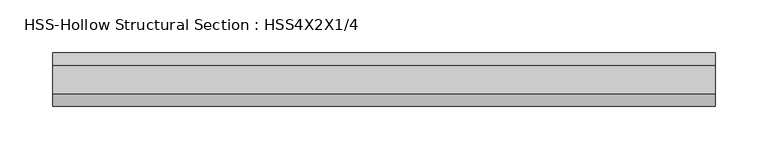
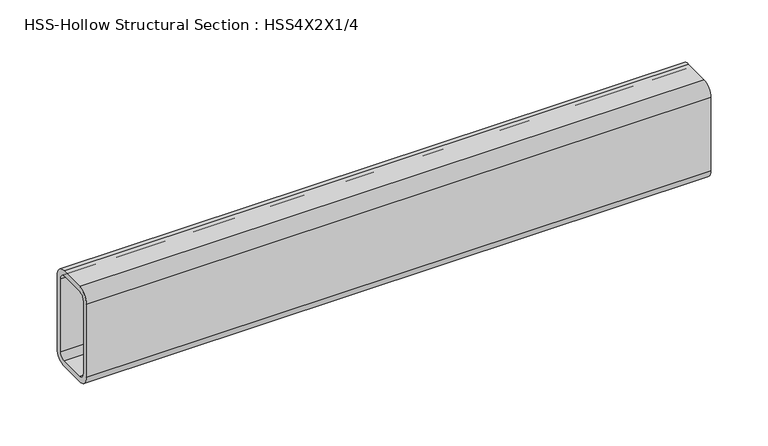
"""IFC4 building model written with IfcOpenShell, lengths in millimetres: beam geometry, HSS-Hollow Structural Section : HSS4X2X1/4."""

from ifc_helpers import new_model, si_unit, point, frame, frame_2d, origin, place, context, project, spatial, polyline, circle_curve, trimmed, segment, composite_curve, outline, extrude, source, transform, mapped, element, save


def hss_hollow_structural_section_hss4x2x1_4_93622b60(model_context):
    return source(origin(), model_context, "Body", "SweptSolid", [
        extrude(outline(composite_curve([segment(polyline([(25.4, 38.9636), (25.4, -38.9636)]), True, "CONTINUOUS"), segment(trimmed(circle_curve(frame_2d((13.5636, -38.9636)), 11.8364), [point((25.4, -38.9636))], [point((13.5636, -50.8))], False, "CARTESIAN"), True, "CONTINUOUS"), segment(polyline([(13.5636, -50.8), (-13.5636, -50.8)]), True, "CONTINUOUS"), segment(trimmed(circle_curve(frame_2d((-13.5636, -38.9636)), 11.8364), [point((-13.5636, -50.8))], [point((-25.4, -38.9636))], False, "CARTESIAN"), True, "CONTINUOUS"), segment(polyline([(-25.4, -38.9636), (-25.4, 38.9636)]), True, "CONTINUOUS"), segment(trimmed(circle_curve(frame_2d((-13.5636, 38.9636)), 11.8364), [point((-25.4, 38.9636))], [point((-13.5636, 50.8))], False, "CARTESIAN"), True, "CONTINUOUS"), segment(polyline([(-13.5636, 50.8), (13.5636, 50.8)]), True, "CONTINUOUS"), segment(trimmed(circle_curve(frame_2d((13.5636, 38.9636)), 11.8364), [point((13.5636, 50.8))], [point((25.4, 38.9636))], False, "CARTESIAN"), True, "CONTINUOUS")], self_intersect=False), holes=[composite_curve([segment(trimmed(circle_curve(frame_2d((-13.5636, 38.9636)), 5.9182), [point((-13.5636, 44.8818))], [point((-19.4818, 38.9636))], True, "CARTESIAN"), True, "CONTINUOUS"), segment(polyline([(-19.4818, 38.9636), (-19.4818, -38.9636)]), True, "CONTINUOUS"), segment(trimmed(circle_curve(frame_2d((-13.5636, -38.9636)), 5.9182), [point((-19.4818, -38.9636))], [point((-13.5636, -44.8818))], True, "CARTESIAN"), True, "CONTINUOUS"), segment(polyline([(-13.5636, -44.8818), (13.5636, -44.8818)]), True, "CONTINUOUS"), segment(trimmed(circle_curve(frame_2d((13.5636, -38.9636)), 5.9182), [point((13.5636, -44.8818))], [point((19.4818, -38.9636))], True, "CARTESIAN"), True, "CONTINUOUS"), segment(polyline([(19.4818, -38.9636), (19.4818, 38.9636)]), True, "CONTINUOUS"), segment(trimmed(circle_curve(frame_2d((13.5636, 38.9636)), 5.9182), [point((19.4818, 38.9636))], [point((13.5636, 44.8818))], True, "CARTESIAN"), True, "CONTINUOUS"), segment(polyline([(13.5636, 44.8818), (-13.5636, 44.8818)]), True, "CONTINUOUS")], self_intersect=False)]), frame((-314.325, 0.0, 0.0), z_axis=(1.0, 0.0, 0.0), x_axis=(0.0, 1.0, 0.0)), (0.0, 0.0, 1.0), 628.65),
    ])


if __name__ == "__main__":
    model = new_model("IFC4")
    model_context = context("Model", 3, world=origin())
    ifc_project = project(units=[si_unit("LENGTHUNIT", "METRE", prefix="MILLI")], contexts=[model_context])
    site = spatial("IfcSite", under=ifc_project)
    building = spatial("IfcBuilding", under=site)
    placement = place(None, origin())
    hss_hollow_structural_section_hss4x2x1_4_shape = hss_hollow_structural_section_hss4x2x1_4_93622b60(model_context)
    element("IfcBeam", 1, ObjectType="HSS-Hollow Structural Section : HSS4X2X1/4", at=placement, inside=building, context=model_context, shape_type="MappedRepresentation", body=[
        mapped(hss_hollow_structural_section_hss4x2x1_4_shape, transform((0.0, 0.0, 0.0), x_axis=(1.0, 0.0, 0.0), y_axis=(0.0, 1.0, 0.0), z_axis=(0.0, 0.0, 1.0))),
    ])
    save(model, "model.ifc")
